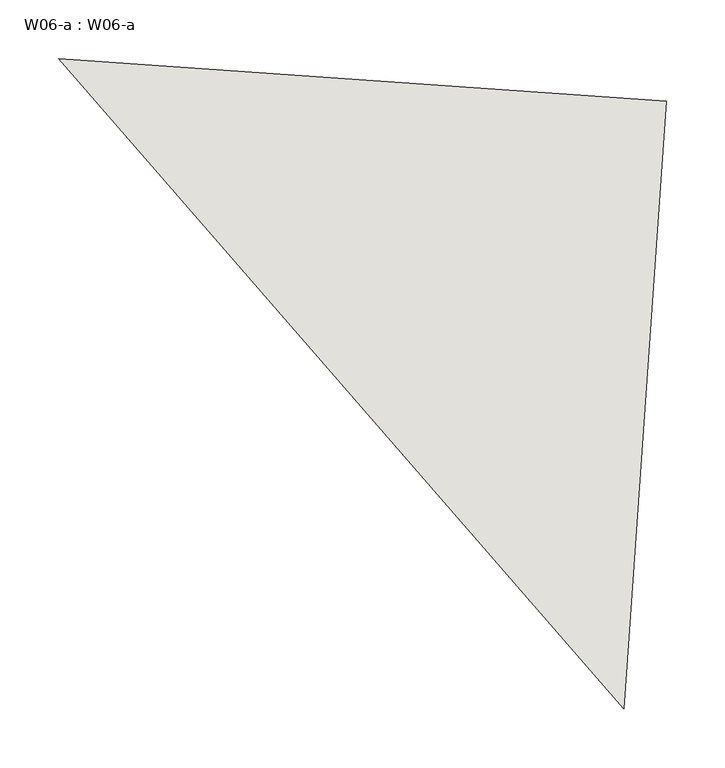
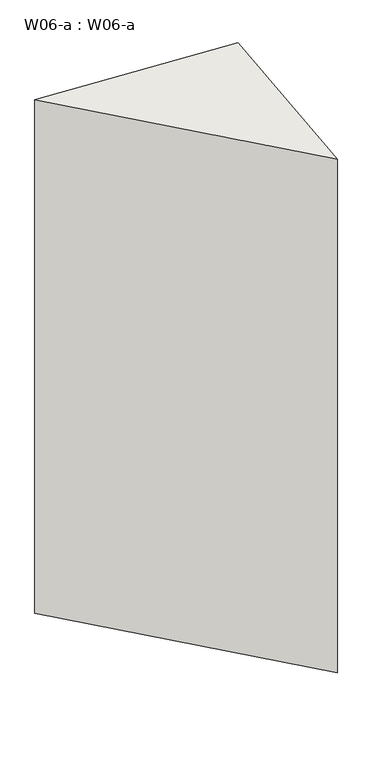
"""IFC4 building model written with IfcOpenShell, lengths in millimetres: wall geometry, W06-a : W06-a."""

from ifc_helpers import new_model, si_unit, frame, origin, place, context, project, spatial, polyline, outline, extrude, source, transform, mapped, element, save


def w06_a_w06_a_5d75d4d6(model_context):
    return source(origin(), model_context, "Body", "SweptSolid", [
        extrude(outline(polyline([(-68530.4271807, 73377.7483479), (-68566.700547, 72859.0150405), (-69049.1604879, 73414.0217142), (-68530.4271807, 73377.7483479)])), frame((0.0, 0.0, 2650.0), z_axis=(0.0, 0.0, 1.0), x_axis=(1.0, 0.0, 0.0)), (0.0, 0.0, 1.0), 1440.0),
    ])


if __name__ == "__main__":
    model = new_model("IFC4")
    model_context = context("Model", 3, world=origin())
    ifc_project = project(units=[si_unit("LENGTHUNIT", "METRE", prefix="MILLI")], contexts=[model_context])
    site = spatial("IfcSite", under=ifc_project)
    building = spatial("IfcBuilding", under=site)
    placement = place(None, origin())
    w06_a_w06_a_shape = w06_a_w06_a_5d75d4d6(model_context)
    element("IfcWall", 1, ObjectType="W06-a : W06-a", at=placement, inside=building, context=model_context, shape_type="MappedRepresentation", body=[
        mapped(w06_a_w06_a_shape, transform((0.0, 0.0, 0.0), x_axis=(1.0, 0.0, 0.0), y_axis=(0.0, 1.0, 0.0), z_axis=(0.0, 0.0, 1.0))),
    ])
    save(model, "model.ifc")
